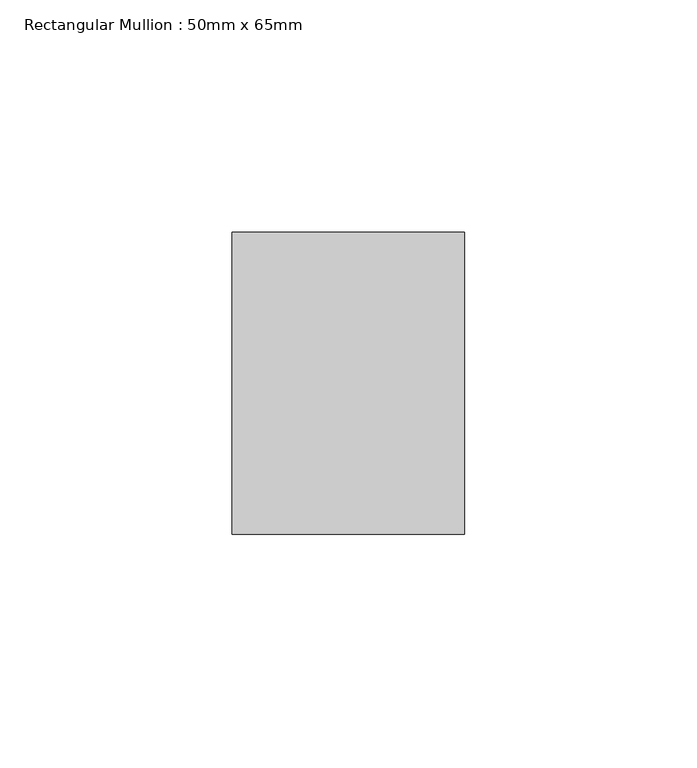
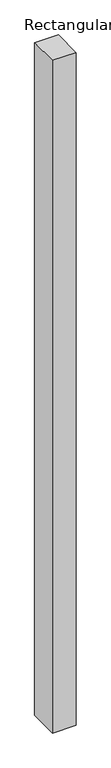
"""IFC4 building model written with IfcOpenShell, lengths in millimetres: member geometry, Rectangular Mullion : 50mm x 65mm."""

from ifc_helpers import new_model, si_unit, frame, origin, place, context, project, spatial, polyline, outline, extrude, source, transform, mapped, element, save


def rectangular_mullion_50mm_x_65mm_2548e62c(model_context):
    return source(origin(), model_context, "Body", "SweptSolid", [
        extrude(outline(polyline([(-32.5, 0.044337), (32.5, -0.0443372), (32.5, -1499.9019514), (-32.5, -1500.0981299), (-32.5, 0.044337)])), frame((-25.0, 0.0, 0.0), z_axis=(1.0, 0.0, 0.0), x_axis=(0.0, 1.0, 0.0)), (0.0, 0.0, 1.0), 50.0),
    ])


if __name__ == "__main__":
    model = new_model("IFC4")
    model_context = context("Model", 3, world=origin())
    ifc_project = project(units=[si_unit("LENGTHUNIT", "METRE", prefix="MILLI")], contexts=[model_context])
    site = spatial("IfcSite", under=ifc_project)
    building = spatial("IfcBuilding", under=site)
    placement = place(None, origin())
    rectangular_mullion_50mm_x_65mm_shape = rectangular_mullion_50mm_x_65mm_2548e62c(model_context)
    element("IfcMember", 1, ObjectType="Rectangular Mullion : 50mm x 65mm", at=placement, inside=building, context=model_context, shape_type="MappedRepresentation", body=[
        mapped(rectangular_mullion_50mm_x_65mm_shape, transform((0.0, 0.0, 0.0), x_axis=(1.0, 0.0, 0.0), y_axis=(0.0, 1.0, 0.0), z_axis=(0.0, 0.0, 1.0))),
    ])
    save(model, "model.ifc")
